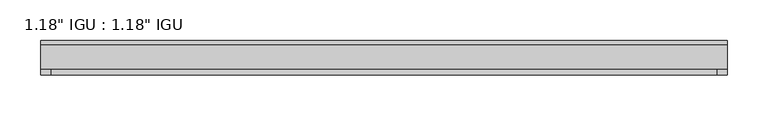
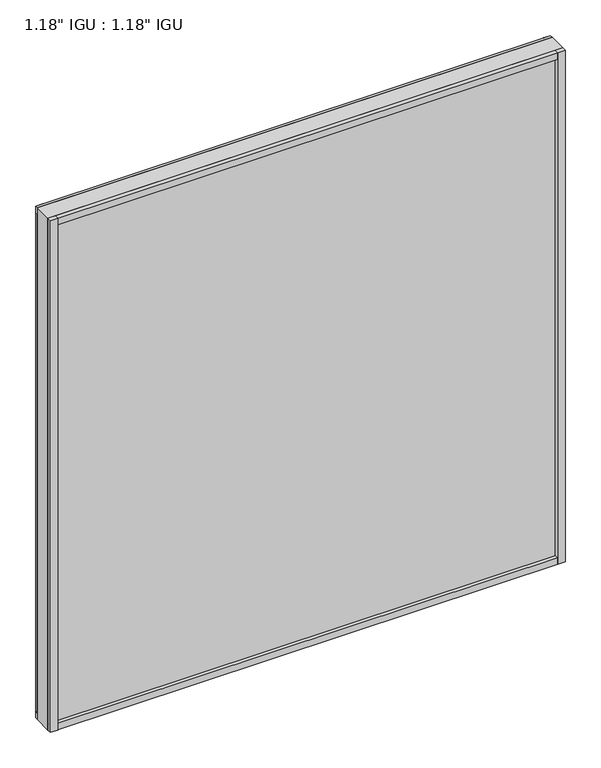
"""IFC4 building model written with IfcOpenShell, lengths in millimetres: plate geometry."""

from ifc_helpers import new_model, si_unit, frame, origin, origin_with_axes, place, context, project, spatial, polyline, outline, extrude, source, transform, mapped, element, save


def plate_d5254cb2(model_context):
    return source(origin(), model_context, "Body", "SweptSolid", [
        extrude(outline(polyline([(418.5237375, -9.7647125), (418.5237375, -14.5399125), (-418.5237375, -14.5399125), (-418.5237375, -9.7647125), (418.5237375, -9.7647125)])), origin_with_axes(), (0.0, 0.0, 1.0), 11.1252),
        extrude(outline(polyline([(-418.5237375, -14.5399125), (-418.5237375, -9.7647125), (418.5237375, -9.7647125), (418.5237375, -14.5399125), (-418.5237375, -14.5399125)])), frame((0.0, 0.0, 868.3702658), z_axis=(0.0, 0.0, 1.0), x_axis=(1.0, 0.0, 0.0)), (0.0, 0.0, 1.0), 11.1252),
        extrude(outline(polyline([(418.5237375, -44.6643125), (418.5237375, -51.3953125), (406.3860579, -51.3953125), (406.3860579, -44.6643125), (418.5237375, -44.6643125)])), origin_with_axes(), (0.0, 0.0, 1.0), 879.4954658),
        extrude(outline(polyline([(418.5237375, -9.7765488), (418.5237375, -14.5399125), (406.5113137, -14.5399125), (406.5113137, -9.7765488), (418.5237375, -9.7765488)])), origin_with_axes(), (0.0, 0.0, 1.0), 879.4954658),
        extrude(outline(polyline([(-406.5031604, -51.3953125), (-418.5237375, -51.3953125), (-418.5237375, -44.6643125), (-406.5031604, -44.6643125), (-406.5031604, -51.3953125)])), origin_with_axes(), (0.0, 0.0, 1.0), 879.4954658),
        extrude(outline(polyline([(-406.5031604, -14.5399125), (-418.5237375, -14.5399125), (-418.5237375, -9.7647125), (-406.5031604, -9.7647125), (-406.5031604, -14.5399125)])), origin_with_axes(), (0.0, 0.0, 1.0), 879.4954658),
        extrude(outline(polyline([(418.5237375, -44.6643125), (418.5237375, -51.3953125), (-418.5237375, -51.3953125), (-418.5237375, -44.6643125), (418.5237375, -44.6643125)])), origin_with_axes(), (0.0, 0.0, 1.0), 11.1693096),
        extrude(outline(polyline([(418.5237375, -44.6643125), (418.5237375, -51.3953125), (-418.5237375, -51.3953125), (-418.5237375, -44.6643125), (418.5237375, -44.6643125)])), frame((0.0, 0.0, 868.31436), z_axis=(0.0, 0.0, 1.0), x_axis=(1.0, 0.0, 0.0)), (0.0, 0.0, 1.0), 11.1811058),
        extrude(outline(polyline([(418.5237375, -44.6643125), (-418.5237375, -44.6643125), (-418.5237375, -14.5399125), (418.5237375, -14.5399125), (418.5237375, -44.6643125)])), origin_with_axes(), (0.0, 0.0, 1.0), 879.4954658),
    ])


if __name__ == "__main__":
    model = new_model("IFC4")
    model_context = context("Model", 3, world=origin())
    ifc_project = project(units=[si_unit("LENGTHUNIT", "METRE", prefix="MILLI")], contexts=[model_context])
    site = spatial("IfcSite", under=ifc_project)
    building = spatial("IfcBuilding", under=site)
    placement = place(None, origin())
    plate_shape = plate_d5254cb2(model_context)
    element("IfcPlate", 1, ObjectType="1.18\" IGU : 1.18\" IGU", at=placement, inside=building, context=model_context, shape_type="MappedRepresentation", body=[
        mapped(plate_shape, transform((0.0, 0.0, 0.0), x_axis=(1.0, 0.0, 0.0), y_axis=(0.0, 1.0, 0.0), z_axis=(0.0, 0.0, 1.0))),
    ])
    save(model, "model.ifc")
